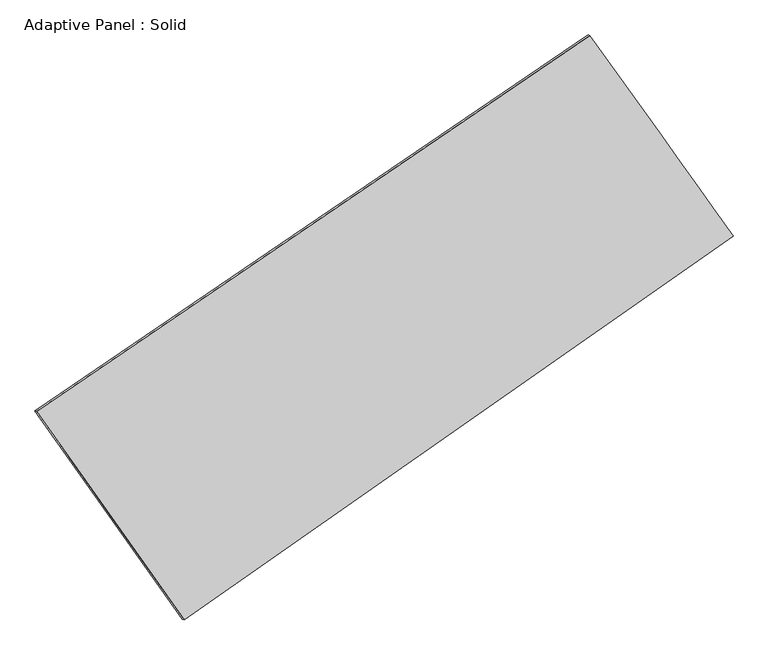
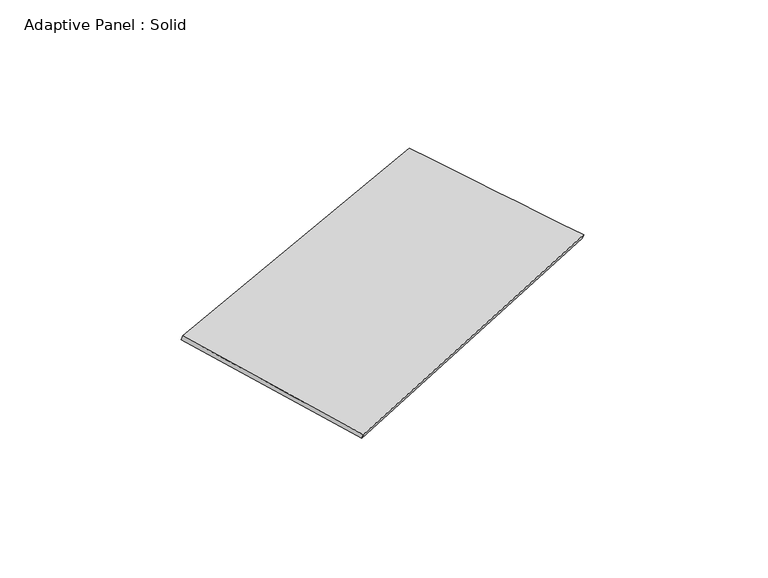
"""IFC4 building model written with IfcOpenShell, lengths in millimetres: plate geometry, Adaptive Panel : Solid."""

from ifc_helpers import new_model, si_unit, frame, origin, place, context, project, spatial, source, transform, mapped, element, save
from ifc_brep_helpers import plane_surface, spline_surface, advanced_brep


def adaptive_panel_solid_c39ddee7(model_context):
    return source(origin(), model_context, "Body", "AdvancedBrep", [
        advanced_brep(
        [(1120.9187919, 2421.3163687, 633.8259145), (-3685.2455862, -845.4670181, 1737.4490995), (-3670.5792303, -851.8471115, 1784.8220075), (1135.5851477, 2414.9362752, 681.1988225), (-2403.484734, -2656.9324322, 1042.3841662), (-2388.8183782, -2663.3125256, 1089.7570742), (2364.5209502, 680.8345087, 71.46334), (2379.187306, 674.4544152, 118.8362481)],
        [
            (0, 1),
            (1, 2),
            (2, 3),
            (3, 0),
            (1, 4),
            (4, 5),
            (5, 2),
            (4, 6),
            (6, 7),
            (7, 5),
            (6, 0),
            (3, 7),
        ],
        [
            plane_surface(frame((-1282.1633971, 787.9246753, 1185.637507), z_axis=(-0.4994683724053114, 0.8245861414080572, 0.26568598074524197), x_axis=(-0.8125168884156467, -0.5522733855439557, 0.18657549051033737))),
            plane_surface(frame((-3044.3651601, -1751.1997251, 1389.9166329), z_axis=(-0.7763952294317709, -0.6100670505159648, 0.1582044297430994), x_axis=(0.5512028138712215, -0.7789946399184634, -0.29890267472665927))),
            plane_surface(frame((-19.4818919, -988.0489617, 556.9237531), z_axis=(0.5149674921938243, -0.8138940835774867, -0.2690444251441885), x_axis=(0.80805237122891, 0.5656642776405921, -0.1645457090072027))),
            plane_surface(frame((1742.719871, 1551.0754387, 352.6446272), z_axis=(0.7782365556690516, 0.6074764268568247, -0.1591233931062188), x_axis=(-0.562257049769679, 0.786906157426552, 0.25425520523378703))),
            spline_surface(1, 1, [[(-3670.5792303, -851.8471115, 1784.8220075), (1135.5851477, 2414.9362752, 681.1988225)], [(-2388.8183782, -2663.3125256, 1089.7570742), (2379.187306, 674.4544152, 118.8362481)]], [2, 2], [2, 2], [0.0, 1.0], [0.0, 1.0]),
            spline_surface(1, 1, [[(2364.5209502, 680.8345087, 71.46334), (1120.9187919, 2421.3163687, 633.8259145)], [(-2403.484734, -2656.9324322, 1042.3841662), (-3685.2455862, -845.4670181, 1737.4490995)]], [2, 2], [2, 2], [0.0, 1.0], [0.0, 1.0]),
        ],
        [
            (0, [[1, 2, 3, 4]]),
            (1, [[5, 6, 7, -2]]),
            (2, [[8, 9, 10, -6]]),
            (3, [[11, -4, 12, -9]]),
            (4, [[-3, -7, -10, -12]]),
            (5, [[-11, -8, -5, -1]]),
        ],
    ),
    ])


if __name__ == "__main__":
    model = new_model("IFC4")
    model_context = context("Model", 3, world=origin())
    ifc_project = project(units=[si_unit("LENGTHUNIT", "METRE", prefix="MILLI")], contexts=[model_context])
    site = spatial("IfcSite", under=ifc_project)
    building = spatial("IfcBuilding", under=site)
    placement = place(None, origin())
    adaptive_panel_solid_shape = adaptive_panel_solid_c39ddee7(model_context)
    element("IfcPlate", 1, ObjectType="Adaptive Panel : Solid", at=placement, inside=building, context=model_context, shape_type="MappedRepresentation", body=[
        mapped(adaptive_panel_solid_shape, transform((0.0, 0.0, 0.0), x_axis=(1.0, 0.0, 0.0), y_axis=(0.0, 1.0, 0.0), z_axis=(0.0, 0.0, 1.0))),
    ])
    save(model, "model.ifc")
